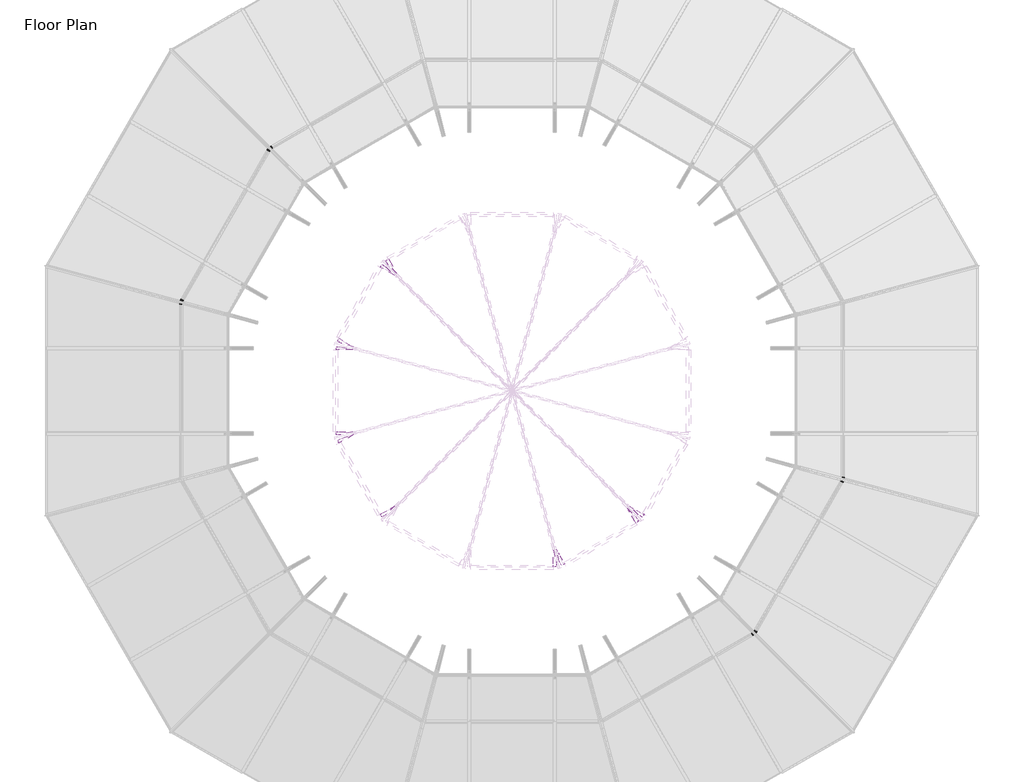
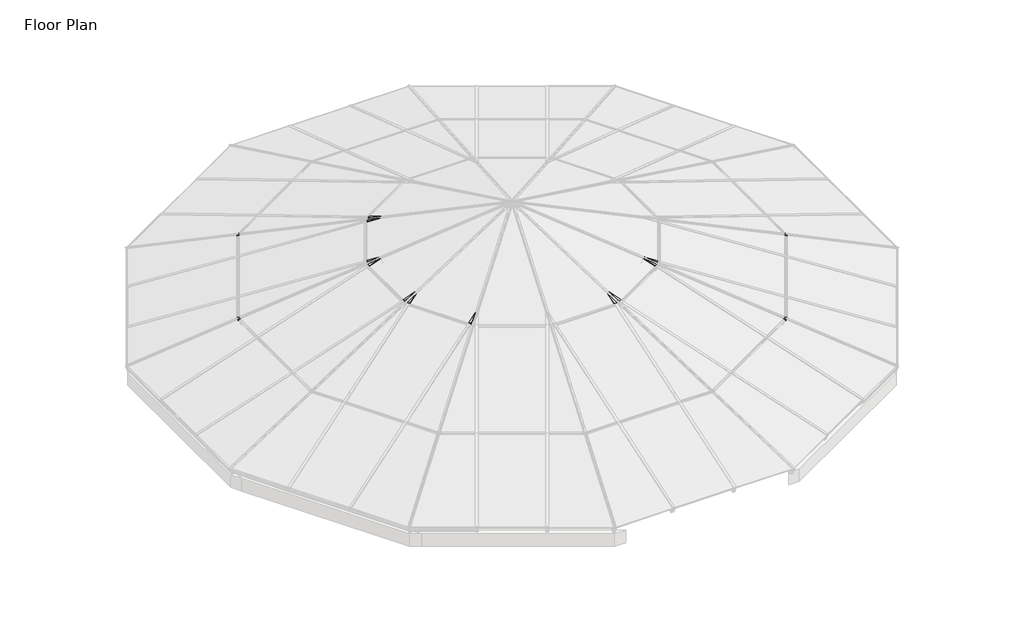
# One storey, part 6 of 7: 19 proxies.
"""IFC4 building model written with IfcOpenShell, lengths in millimetres."""

from ifc_helpers import new_model, si_unit, origin, place, context, project, spatial, faceted_brep, element, save

model = new_model("IFC4")

# Units and contexts
model_context = context("Model", 3, world=origin())
ifc_project = project(units=[si_unit("LENGTHUNIT", "METRE", prefix="MILLI")], contexts=[model_context])

# Site, building, storey
site = spatial("IfcSite", under=ifc_project)
building = spatial("IfcBuilding", under=site)
storey = spatial("IfcBuildingStorey", under=building, Name="Floor Plan", Elevation=0.0)

# Proxies
placement = place(None, origin())
element("IfcBuildingElementProxy", 1, Name="Purlin18 : Purlin", ObjectType="Purlin18 : Purlin", at=placement, inside=storey, context=model_context, shape_type="Brep", body=[
    faceted_brep([(18967.4339293, -393.3486707, 912.0046085), (18989.7737225, -393.3486707, 894.2792535), (18987.8268452, -393.3486707, 888.4811234), (18971.2495186, -393.3486707, 894.0053081), (18964.1492768, -393.3486707, 872.6984486), (18980.7161358, -393.3486707, 867.1777521), (18956.5214327, -393.3486707, 794.5727396), (18896.2783091, -393.3486707, 814.6479994), (18920.4730122, -393.3486707, 887.253012), (18936.3049051, -393.3486707, 881.9772337), (18943.4051468, -393.3486707, 903.2840932), (18927.5969737, -393.3486707, 908.5519672), (18929.5305989, -393.3486707, 914.3545133), (18958.0375119, -393.3486707, 915.1358458), (18967.4339293, -420.822469, 912.0046085), (18989.7737225, -426.8090085, 894.2792535), (18987.8268452, -426.2877268, 888.4811234), (18971.2495186, -421.8458455, 894.0053081), (18964.1492768, -419.9447459, 872.6984486), (18980.7161358, -424.3838224, 867.1777521), (18956.5214327, -417.9056569, 794.5727396), (18896.2783091, -401.7635606, 814.6479994), (18920.4730122, -408.241726, 887.253012), (18936.3049051, -412.4838689, 881.9772337), (18943.4051468, -414.3849686, 903.2840932), (18927.5969737, -410.1491813, 908.5519672), (18929.5305989, -410.6669122, 914.3545133), (18958.0375119, -418.3047066, 915.1358458)], [[[0, 1, 2, 3, 4, 5, 6, 7, 8, 9, 10, 11, 12, 13]], [[1, 0, 14, 15]], [[2, 1, 15, 16]], [[3, 2, 16, 17]], [[4, 3, 17, 18]], [[5, 4, 18, 19]], [[6, 5, 19, 20]], [[7, 6, 20, 21]], [[8, 7, 21, 22]], [[9, 8, 22, 23]], [[10, 9, 23, 24]], [[11, 10, 24, 25]], [[12, 11, 25, 26]], [[13, 12, 26, 27]], [[0, 13, 27, 14]], [[15, 14, 27, 26, 25, 24, 23, 22, 21, 20, 19, 18, 17, 16]]]),
])
element("IfcBuildingElementProxy", 2, Name="Purlin19 : Purlin", ObjectType="Purlin19 : Purlin", at=placement, inside=storey, context=model_context, shape_type="Brep", body=[
    faceted_brep([(18937.2532893, -505.9843526, 912.0046085), (18929.1157531, -501.2861439, 915.1358458), (18904.4280423, -487.0326874, 914.3545133), (18902.7534738, -486.0658748, 908.5519672), (18916.4437533, -493.9699614, 903.2840932), (18910.2947635, -490.4198405, 881.9772337), (18896.5839421, -482.5038941, 887.253012), (18875.6307146, -470.4065425, 814.6479994), (18927.80279, -500.5281043, 794.5727396), (18948.7560176, -512.6254559, 867.1777521), (18934.4086968, -504.3420264, 872.6984486), (18940.5576865, -507.8921472, 894.0053081), (18954.9140726, -516.1808106, 888.4811234), (18956.6001177, -517.1542492, 894.2792535), (18973.3302866, -488.1767467, 894.2792535), (18950.9901885, -482.1913453, 912.0046085), (18971.3836006, -487.6547513, 888.4811234), (18954.8062739, -483.21287, 894.0053081), (18947.7067344, -481.3091496, 872.6984486), (18964.2735934, -485.7482261, 867.1777521), (18940.0812831, -479.2611304, 794.5727396), (18879.8381595, -463.1190341, 814.6479994), (18904.0304698, -469.6061298, 887.253012), (18919.8623627, -473.8482727, 881.9772337), (18926.9619022, -475.751993, 903.2840932), (18911.1537291, -471.5162058, 908.5519672), (18913.087163, -472.0346504, 914.3545133), (18941.5937711, -479.6735829, 915.1358458)], [[[0, 1, 2, 3, 4, 5, 6, 7, 8, 9, 10, 11, 12, 13]], [[0, 13, 14, 15]], [[13, 12, 16, 14]], [[12, 11, 17, 16]], [[11, 10, 18, 17]], [[10, 9, 19, 18]], [[9, 8, 20, 19]], [[8, 7, 21, 20]], [[7, 6, 22, 21]], [[6, 5, 23, 22]], [[5, 4, 24, 23]], [[4, 3, 25, 24]], [[3, 2, 26, 25]], [[2, 1, 27, 26]], [[1, 0, 15, 27]], [[15, 14, 16, 17, 18, 19, 20, 21, 22, 23, 24, 25, 26, 27]]]),
])
element("IfcBuildingElementProxy", 3, Name="Purlin20 : Purlin", ObjectType="Purlin20 : Purlin", at=placement, inside=storey, context=model_context, shape_type="Brep", body=[
    faceted_brep([(17207.4926226, -3502.0177123, 912.0046085), (17226.839451, -3513.1876089, 894.2792535), (17225.1534058, -3512.2141703, 888.4811234), (17210.7970198, -3503.9255069, 894.0053081), (17204.6480301, -3500.3753861, 872.6984486), (17218.9953508, -3508.6588156, 867.1777521), (17198.0421233, -3496.561464, 794.5727396), (17145.8700478, -3466.4399022, 814.6479994), (17166.8232754, -3478.5372538, 887.253012), (17180.5340968, -3486.4532002, 881.9772337), (17186.6830865, -3490.0033211, 903.2840932), (17172.992807, -3482.0992345, 908.5519672), (17174.6673756, -3483.0660471, 914.3545133), (17199.3550864, -3497.3195036, 915.1358458), (17193.7557234, -3525.8107196, 912.0046085), (17210.1092821, -3542.1651115, 894.2792535), (17208.6838778, -3540.7402296, 888.4811234), (17196.5484324, -3528.6047842, 894.0053081), (17191.3499925, -3523.4082628, 872.6984486), (17203.477775, -3535.5360453, 867.1777521), (17185.7636302, -3517.8284379, 794.5727396), (17141.6626029, -3473.7274106, 814.6479994), (17159.3767477, -3491.435018, 887.253012), (17170.9664977, -3503.024768, 881.9772337), (17176.1649376, -3508.2212894, 903.2840932), (17164.5925517, -3496.6489035, 908.5519672), (17166.0082548, -3498.0640842, 914.3545133), (17186.8770685, -3518.9320647, 915.1358458)], [[[0, 1, 2, 3, 4, 5, 6, 7, 8, 9, 10, 11, 12, 13]], [[1, 0, 14, 15]], [[2, 1, 15, 16]], [[3, 2, 16, 17]], [[4, 3, 17, 18]], [[5, 4, 18, 19]], [[6, 5, 19, 20]], [[7, 6, 20, 21]], [[8, 7, 21, 22]], [[9, 8, 22, 23]], [[10, 9, 23, 24]], [[11, 10, 24, 25]], [[12, 11, 25, 26]], [[13, 12, 26, 27]], [[0, 13, 27, 14]], [[15, 14, 27, 26, 25, 24, 23, 22, 21, 20, 19, 18, 17, 16]]]),
])
element("IfcBuildingElementProxy", 4, Name="Purlin21 : Purlin", ObjectType="Purlin21 : Purlin", at=placement, inside=storey, context=model_context, shape_type="Brep", body=[
    faceted_brep([(17125.0559833, -3584.4543516, 912.0046085), (17120.3577746, -3576.3168155, 915.1358458), (17106.1043181, -3551.6291046, 914.3545133), (17105.1375055, -3549.9545361, 908.5519672), (17113.041592, -3563.6448156, 903.2840932), (17109.4914712, -3557.4958258, 881.9772337), (17101.5755247, -3543.7850044, 887.253012), (17089.4781732, -3522.8317769, 814.6479994), (17119.599735, -3575.0038523, 794.5727396), (17131.6970865, -3595.9570799, 867.1777521), (17123.413657, -3581.6097591, 872.6984486), (17126.9637779, -3587.7587488, 894.0053081), (17135.2524413, -3602.1151349, 888.4811234), (17136.2258799, -3603.80118, 894.2792535), (17165.2033824, -3587.0710112, 894.2792535), (17148.8489906, -3570.7174525, 912.0046085), (17163.7785006, -3585.6456068, 888.4811234), (17151.6430552, -3573.5101615, 894.0053081), (17146.4465338, -3568.3117215, 872.6984486), (17158.5743163, -3580.439504, 867.1777521), (17140.8667089, -3562.7253592, 794.5727396), (17096.7656816, -3518.6243319, 814.6479994), (17114.473289, -3536.3384768, 887.253012), (17126.063039, -3547.9282267, 881.9772337), (17131.2595604, -3553.1266666, 903.2840932), (17119.6871745, -3541.5542807, 908.5519672), (17121.1023551, -3542.9699839, 914.3545133), (17141.9703356, -3563.8387975, 915.1358458)], [[[0, 1, 2, 3, 4, 5, 6, 7, 8, 9, 10, 11, 12, 13]], [[0, 13, 14, 15]], [[13, 12, 16, 14]], [[12, 11, 17, 16]], [[11, 10, 18, 17]], [[10, 9, 19, 18]], [[9, 8, 20, 19]], [[8, 7, 21, 20]], [[7, 6, 22, 21]], [[6, 5, 23, 22]], [[5, 4, 24, 23]], [[4, 3, 25, 24]], [[3, 2, 26, 25]], [[2, 1, 27, 26]], [[1, 0, 15, 27]], [[15, 14, 16, 17, 18, 19, 20, 21, 22, 23, 24, 25, 26, 27]]]),
])
element("IfcBuildingElementProxy", 5, Name="Purlin6 : Purlin", ObjectType="Purlin6 : Purlin", at=placement, inside=storey, context=model_context, shape_type="Brep", body=[
    faceted_brep([(5605.8703106, 3066.123009, 912.0046085), (5583.5305174, 3066.123009, 894.2792535), (5585.4773947, 3066.123009, 888.4811234), (5602.0547214, 3066.123009, 894.0053081), (5609.1549631, 3066.123009, 872.6984486), (5592.5881041, 3066.123009, 867.1777521), (5616.7828073, 3066.123009, 794.5727396), (5677.0259309, 3066.123009, 814.6479994), (5652.8312277, 3066.123009, 887.253012), (5636.9993349, 3066.123009, 881.9772337), (5629.8990931, 3066.123009, 903.2840932), (5645.7072662, 3066.123009, 908.5519672), (5643.773641, 3066.123009, 914.3545133), (5615.266728, 3066.123009, 915.1358458), (5605.8703106, 3093.5968073, 912.0046085), (5583.5305174, 3099.5833468, 894.2792535), (5585.4773947, 3099.062065, 888.4811234), (5602.0547214, 3094.6201837, 894.0053081), (5609.1549631, 3092.7190841, 872.6984486), (5592.5881041, 3097.1581606, 867.1777521), (5616.7828073, 3090.6799952, 794.5727396), (5677.0259309, 3074.5378989, 814.6479994), (5652.8312277, 3081.0160643, 887.253012), (5636.9993349, 3085.2582072, 881.9772337), (5629.8990931, 3087.1593068, 903.2840932), (5645.7072662, 3082.9235196, 908.5519672), (5643.773641, 3083.4412504, 914.3545133), (5615.266728, 3091.0790448, 915.1358458)], [[[0, 1, 2, 3, 4, 5, 6, 7, 8, 9, 10, 11, 12, 13]], [[1, 0, 14, 15]], [[2, 1, 15, 16]], [[3, 2, 16, 17]], [[4, 3, 17, 18]], [[5, 4, 18, 19]], [[6, 5, 19, 20]], [[7, 6, 20, 21]], [[8, 7, 21, 22]], [[9, 8, 22, 23]], [[10, 9, 23, 24]], [[11, 10, 24, 25]], [[12, 11, 25, 26]], [[13, 12, 26, 27]], [[0, 13, 27, 14]], [[15, 14, 27, 26, 25, 24, 23, 22, 21, 20, 19, 18, 17, 16]]]),
])
element("IfcBuildingElementProxy", 6, Name="Purlin7 : Purlin", ObjectType="Purlin7 : Purlin", at=placement, inside=storey, context=model_context, shape_type="Brep", body=[
    faceted_brep([(5636.0571856, 3178.78196, 912.0046085), (5644.1947217, 3174.0837513, 915.1358458), (5668.8824326, 3159.8302948, 914.3545133), (5670.5570011, 3158.8634822, 908.5519672), (5656.8667216, 3166.7675688, 903.2840932), (5663.0157114, 3163.2174479, 881.9772337), (5676.7265328, 3155.3015015, 887.253012), (5697.6797603, 3143.2041499, 814.6479994), (5645.5076849, 3173.3257117, 794.5727396), (5624.5544573, 3185.4230633, 867.1777521), (5638.9017781, 3177.1396338, 872.6984486), (5632.7527884, 3180.6897546, 894.0053081), (5618.3964023, 3188.978418, 888.4811234), (5616.7103572, 3189.9518566, 894.2792535), (5599.9801883, 3160.9743541, 894.2792535), (5622.3202864, 3154.9889527, 912.0046085), (5601.9268743, 3160.4523586, 888.4811234), (5618.504201, 3156.0104773, 894.0053081), (5625.6037405, 3154.106757, 872.6984486), (5609.0368815, 3158.5458335, 867.1777521), (5633.2291918, 3152.0587378, 794.5727396), (5693.4723154, 3135.9166415, 814.6479994), (5669.2800051, 3142.4037372, 887.253012), (5653.4481122, 3146.6458801, 881.9772337), (5646.3485727, 3148.5496004, 903.2840932), (5662.1567458, 3144.3138132, 908.5519672), (5660.2233119, 3144.8322577, 914.3545133), (5631.7167038, 3152.4711903, 915.1358458)], [[[0, 1, 2, 3, 4, 5, 6, 7, 8, 9, 10, 11, 12, 13]], [[0, 13, 14, 15]], [[13, 12, 16, 14]], [[12, 11, 17, 16]], [[11, 10, 18, 17]], [[10, 9, 19, 18]], [[9, 8, 20, 19]], [[8, 7, 21, 20]], [[7, 6, 22, 21]], [[6, 5, 23, 22]], [[5, 4, 24, 23]], [[4, 3, 25, 24]], [[3, 2, 26, 25]], [[2, 1, 27, 26]], [[1, 0, 15, 27]], [[15, 14, 16, 17, 18, 19, 20, 21, 22, 23, 24, 25, 26, 27]]]),
])
element("IfcBuildingElementProxy", 7, Name="Purlin8 : Purlin", ObjectType="Purlin8 : Purlin", at=placement, inside=storey, context=model_context, shape_type="Brep", body=[
    faceted_brep([(7365.793337, 6174.7728579, 912.0046085), (7346.4465085, 6185.9427545, 894.2792535), (7348.1325537, 6184.9693159, 888.4811234), (7362.4889398, 6176.6806525, 894.0053081), (7368.6379295, 6173.1305317, 872.6984486), (7354.2906087, 6181.4139612, 867.1777521), (7375.2438363, 6169.3166096, 794.5727396), (7427.4159117, 6139.1950478, 814.6479994), (7406.4626842, 6151.2923994, 887.253012), (7392.7518627, 6159.2083458, 881.9772337), (7386.602873, 6162.7584667, 903.2840932), (7400.2931525, 6154.8543801, 908.5519672), (7398.618584, 6155.8211927, 914.3545133), (7373.9308731, 6170.0746492, 915.1358458), (7379.5302361, 6198.5658652, 912.0046085), (7363.1766774, 6214.9202571, 894.2792535), (7364.6020818, 6213.4953752, 888.4811234), (7376.7375271, 6201.3599298, 894.0053081), (7381.9359671, 6196.1634084, 872.6984486), (7369.8081845, 6208.2911909, 867.1777521), (7387.5223294, 6190.5835835, 794.5727396), (7431.6233567, 6146.4825562, 814.6479994), (7413.9092118, 6164.1901636, 887.253012), (7402.3194619, 6175.7799136, 881.9772337), (7397.121022, 6180.976435, 903.2840932), (7408.6934078, 6169.4040491, 908.5519672), (7407.2777047, 6170.8192298, 914.3545133), (7386.4088911, 6191.6872103, 915.1358458)], [[[0, 1, 2, 3, 4, 5, 6, 7, 8, 9, 10, 11, 12, 13]], [[1, 0, 14, 15]], [[2, 1, 15, 16]], [[3, 2, 16, 17]], [[4, 3, 17, 18]], [[5, 4, 18, 19]], [[6, 5, 19, 20]], [[7, 6, 20, 21]], [[8, 7, 21, 22]], [[9, 8, 22, 23]], [[10, 9, 23, 24]], [[11, 10, 24, 25]], [[12, 11, 25, 26]], [[13, 12, 26, 27]], [[0, 13, 27, 14]], [[15, 14, 27, 26, 25, 24, 23, 22, 21, 20, 19, 18, 17, 16]]]),
])
element("IfcBuildingElementProxy", 8, Name="Purlin9 : Purlin", ObjectType="Purlin9 : Purlin", at=placement, inside=storey, context=model_context, shape_type="Brep", body=[
    faceted_brep([(7448.2658692, 6257.2453901, 912.0046085), (7452.9640779, 6249.107854, 915.1358458), (7467.2175344, 6224.4201431, 914.3545133), (7468.184347, 6222.7455746, 908.5519672), (7460.2802604, 6236.4358541, 903.2840932), (7463.8303813, 6230.2868644, 881.9772337), (7471.7463278, 6216.5760429, 887.253012), (7483.8436793, 6195.6228154, 814.6479994), (7453.7221175, 6247.7948908, 794.5727396), (7441.624766, 6268.7481184, 867.1777521), (7449.9081954, 6254.4007976, 872.6984486), (7446.3580746, 6260.5497874, 894.0053081), (7438.0694112, 6274.9061734, 888.4811234), (7437.0959726, 6276.5922186, 894.2792535), (7408.1184701, 6259.8620497, 894.2792535), (7424.4728619, 6243.508491, 912.0046085), (7409.5433519, 6258.4366454, 888.4811234), (7421.6787973, 6246.3012, 894.0053081), (7426.8753187, 6241.1027601, 872.6984486), (7414.7475362, 6253.2305426, 867.1777521), (7432.4551436, 6235.5163977, 794.5727396), (7476.5561709, 6191.4153704, 814.6479994), (7458.8485635, 6209.1295153, 887.253012), (7447.2588135, 6220.7192652, 881.9772337), (7442.0622921, 6225.9177052, 903.2840932), (7453.634678, 6214.3453193, 908.5519672), (7452.2194973, 6215.7610224, 914.3545133), (7431.3515169, 6236.629836, 915.1358458)], [[[0, 1, 2, 3, 4, 5, 6, 7, 8, 9, 10, 11, 12, 13]], [[0, 13, 14, 15]], [[13, 12, 16, 14]], [[12, 11, 17, 16]], [[11, 10, 18, 17]], [[10, 9, 19, 18]], [[9, 8, 20, 19]], [[8, 7, 21, 20]], [[7, 6, 22, 21]], [[6, 5, 23, 22]], [[5, 4, 24, 23]], [[4, 3, 25, 24]], [[3, 2, 26, 25]], [[2, 1, 27, 26]], [[1, 0, 15, 27]], [[15, 14, 16, 17, 18, 19, 20, 21, 22, 23, 24, 25, 26, 27]]]),
])
element("IfcBuildingElementProxy", 9, Name="Rafter20 : Rafter", ObjectType="Rafter20 : Rafter", at=placement, inside=storey, context=model_context, shape_type="Brep", body=[
    faceted_brep([(14656.0554635, -988.0759206, 2050.4944179), (14656.058672, -988.077773, 2067.2264209), (14948.0375801, -1156.6518742, 1954.876042), (14943.6911588, -1154.1424668, 1939.8152611), (14708.1010313, -1040.1214885, 2026.8027181), (14934.1661588, -1170.6402507, 1939.8152611), (14708.0964881, -1040.1188654, 2003.1102019), (14928.0116263, -1167.0869297, 1918.4891954), (14677.7018764, -1009.7242538, 2016.9461546), (14933.5742263, -1157.4522239, 1918.4891954), (14677.7004287, -1009.723418, 2009.3966748), (14931.6131211, -1156.3199792, 1911.693771), (14699.4207791, -1031.4437683, 1999.5093388), (14927.6380211, -1163.2050544, 1911.693771), (14699.4191825, -1031.4428465, 1991.1834941), (14925.4752419, -1161.9563732, 1904.1995264), (14656.0478759, -988.0715399, 2010.9265773), (14933.4127419, -1148.2082199, 1904.1995264), (14656.0201183, -988.0555141, 1866.1746732), (14895.8109823, -1126.498834, 1773.9056987), (14829.5053446, -1161.5407404, 1787.2023406), (14864.0609823, -1181.4914471, 1773.9056987), (14829.5331022, -1161.5567662, 1931.9542447), (14901.6627419, -1203.2008331, 1904.1995264), (14786.1617956, -1118.1854597, 1951.6973279), (14909.6002419, -1189.4526798, 1904.1995264), (14786.1633922, -1118.1863814, 1960.0231725), (14911.7630211, -1190.701361, 1911.693771), (14807.8837425, -1139.9067318, 1950.1358365), (14907.7879211, -1197.5864361, 1911.693771), (14807.8851902, -1139.9075676, 1957.6853162), (14909.7490263, -1198.7186808, 1918.4891954), (14777.4905786, -1109.5129559, 1971.5212689), (14915.3116263, -1189.083975, 1918.4891954), (14777.4951219, -1109.515579, 1995.2137851), (14921.4661588, -1192.637296, 1939.8152611), (14829.5406897, -1161.5611469, 1971.5220853), (14911.9411588, -1209.1350799, 1939.8152611), (14829.5438983, -1161.5629993, 1988.2540883), (14916.2875801, -1211.6444874, 1954.876042)], [[[0, 1, 2, 3]], [[4, 0, 3, 5]], [[6, 4, 5, 7]], [[8, 6, 7, 9]], [[10, 8, 9, 11]], [[12, 10, 11, 13]], [[14, 12, 13, 15]], [[16, 14, 15, 17]], [[18, 16, 17, 19]], [[20, 18, 19, 21]], [[22, 20, 21, 23]], [[24, 22, 23, 25]], [[26, 24, 25, 27]], [[28, 26, 27, 29]], [[30, 28, 29, 31]], [[32, 30, 31, 33]], [[34, 32, 33, 35]], [[36, 34, 35, 37]], [[38, 36, 37, 39]], [[1, 38, 39, 2]], [[1, 0, 4, 6, 8, 10, 12, 14, 16, 18, 20, 22, 24, 26, 28, 30, 32, 34, 36, 38]], [[3, 2, 39, 37, 35, 33, 31, 29, 27, 25, 23, 21, 19, 17, 15, 13, 11, 9, 7, 5]]]),
])
element("IfcBuildingElementProxy", 10, Name="Rafter21 : Rafter", ObjectType="Rafter21 : Rafter", at=placement, inside=storey, context=model_context, shape_type="Brep", body=[
    faceted_brep([(14611.116044, -1033.020401, 2067.2264209), (14611.1141916, -1033.0171925, 2050.4944179), (14777.4312777, -1321.0868359, 1939.6482825), (14779.9406852, -1325.4332571, 1954.7090634), (14663.1597595, -1085.0627604, 2026.8027181), (14793.9290617, -1311.5618359, 1939.6482825), (14663.1571364, -1085.0582171, 2003.1102019), (14790.3757407, -1305.4073034, 1918.3222168), (14632.7625248, -1054.6636054, 2016.9461546), (14780.7410349, -1310.9699034, 1918.3222168), (14632.7616889, -1054.6621578, 2009.3966748), (14779.6087902, -1309.0087981, 1911.5267924), (14654.4820393, -1076.3825081, 1999.5093388), (14786.4938654, -1305.0336981, 1911.5267924), (14654.4811175, -1076.3809115, 1991.1834941), (14785.2451842, -1302.8709189, 1904.0325479), (14611.1098109, -1033.009605, 2010.9265773), (14771.4970309, -1310.8084189, 1904.0325479), (14611.093785, -1032.9818473, 1866.1746732), (14749.7876449, -1273.2066594, 1773.7387201), (14784.5790113, -1206.4670736, 1787.2023406), (14804.7802581, -1241.4566594, 1773.7387201), (14784.5950372, -1206.4948312, 1931.9542447), (14826.4896441, -1279.0584189, 1904.0325479), (14741.2237306, -1163.1235247, 1951.6973279), (14812.7414908, -1286.9959189, 1904.0325479), (14741.2246524, -1163.1251212, 1960.0231725), (14813.9901719, -1289.1586981, 1911.5267924), (14762.9450027, -1184.8454716, 1950.1358365), (14820.8752471, -1285.1835981, 1911.5267924), (14762.9458386, -1184.8469192, 1957.6853162), (14822.0074918, -1287.1447034, 1918.3222168), (14732.5512269, -1154.4523076, 1971.5212689), (14812.3727859, -1292.7073034, 1918.3222168), (14732.55385, -1154.4568509, 1995.2137851), (14815.9261069, -1298.8618359, 1939.6482825), (14784.5994179, -1206.5024188, 1971.5220853), (14832.4238909, -1289.3368359, 1939.6482825), (14784.6012703, -1206.5056273, 1988.2540883), (14834.9332983, -1293.6832571, 1954.7090634)], [[[0, 1, 2, 3]], [[1, 4, 5, 2]], [[4, 6, 7, 5]], [[6, 8, 9, 7]], [[8, 10, 11, 9]], [[10, 12, 13, 11]], [[12, 14, 15, 13]], [[14, 16, 17, 15]], [[16, 18, 19, 17]], [[18, 20, 21, 19]], [[20, 22, 23, 21]], [[22, 24, 25, 23]], [[24, 26, 27, 25]], [[26, 28, 29, 27]], [[28, 30, 31, 29]], [[30, 32, 33, 31]], [[32, 34, 35, 33]], [[34, 36, 37, 35]], [[36, 38, 39, 37]], [[38, 0, 3, 39]], [[1, 0, 38, 36, 34, 32, 30, 28, 26, 24, 22, 20, 18, 16, 14, 12, 10, 8, 6, 4]], [[3, 2, 5, 7, 9, 11, 13, 15, 17, 19, 21, 23, 25, 27, 29, 31, 33, 35, 37, 39]]]),
])
element("IfcBuildingElementProxy", 11, Name="Rafter22 : Rafter", ObjectType="Rafter22 : Rafter", at=placement, inside=storey, context=model_context, shape_type="Brep", body=[
    faceted_brep([(13176.3846631, -1861.358672, 2050.4944179), (13176.3865156, -1861.3618805, 2067.2264209), (13345.2111567, -2153.7747366, 1954.7090634), (13342.7017493, -2149.4283153, 1939.6482825), (13195.4346631, -1932.4542398, 2026.8027181), (13326.2039653, -2158.9533153, 1939.6482825), (13195.43204, -1932.4496966, 2003.1102019), (13322.6506443, -2152.7987828, 1918.3222168), (13184.30684, -1890.9298849, 2016.9461546), (13332.2853501, -2147.2361828, 1918.3222168), (13184.3060042, -1890.9284372, 2009.3966748), (13331.1531055, -2145.2750776, 1911.5267924), (13192.2562042, -1920.5989876, 1999.5093388), (13324.2680303, -2149.2501776, 1911.5267924), (13192.2552824, -1920.597391, 1991.1834941), (13323.0193492, -2147.0873984, 1904.0325479), (13176.3802824, -1861.3510844, 2010.9265773), (13336.7675025, -2139.1498984, 1904.0325479), (13176.3642566, -1861.3233268, 1866.1746732), (13315.0581165, -2101.5481389, 1773.7387201), (13239.8642566, -2098.3085531, 1787.2023406), (13260.0655033, -2133.2981389, 1773.7387201), (13239.8802824, -2098.3363107, 1931.9542447), (13281.7748893, -2170.8998984, 1904.0325479), (13224.0052824, -2039.0900041, 1951.6973279), (13295.5230426, -2162.9623984, 1904.0325479), (13224.0062042, -2039.0916007, 1960.0231725), (13296.7717238, -2165.1251776, 1911.5267924), (13231.9564042, -2068.762151, 1950.1358365), (13289.8866486, -2169.1002776, 1911.5267924), (13231.95724, -2068.7635987, 1957.6853162), (13291.0188932, -2171.0613828, 1918.3222168), (13220.83204, -2027.2437871, 1971.5212689), (13300.6535991, -2165.4987828, 1918.3222168), (13220.8346631, -2027.2483304, 1995.2137851), (13304.2069201, -2171.6533153, 1939.6482825), (13239.8846631, -2098.3438982, 1971.5220853), (13287.7091361, -2181.1783153, 1939.6482825), (13239.8865156, -2098.3471068, 1988.2540883), (13290.2185436, -2185.5247366, 1954.7090634)], [[[0, 1, 2, 3]], [[4, 0, 3, 5]], [[6, 4, 5, 7]], [[8, 6, 7, 9]], [[10, 8, 9, 11]], [[12, 10, 11, 13]], [[14, 12, 13, 15]], [[16, 14, 15, 17]], [[18, 16, 17, 19]], [[20, 18, 19, 21]], [[22, 20, 21, 23]], [[24, 22, 23, 25]], [[26, 24, 25, 27]], [[28, 26, 27, 29]], [[30, 28, 29, 31]], [[32, 30, 31, 33]], [[34, 32, 33, 35]], [[36, 34, 35, 37]], [[38, 36, 37, 39]], [[1, 38, 39, 2]], [[1, 0, 4, 6, 8, 10, 12, 14, 16, 18, 20, 22, 24, 26, 28, 30, 32, 34, 36, 38]], [[3, 2, 39, 37, 35, 33, 31, 29, 27, 25, 23, 21, 19, 17, 15, 13, 11, 9, 7, 5]]]),
])
element("IfcBuildingElementProxy", 12, Name="Rafter23 : Rafter", ObjectType="Rafter23 : Rafter", at=placement, inside=storey, context=model_context, shape_type="Brep", body=[
    faceted_brep([(13114.993744, -2215.6581445, 1954.6434696), (13114.993744, -2210.6393295, 1939.5826887), (13134.043744, -2210.6393295, 1939.5826887), (13134.043744, -2203.5326876, 1918.256623), (13122.918544, -2203.5326876, 1918.256623), (13122.918544, -2201.2681983, 1911.4611986), (13130.868744, -2201.2681983, 1911.4611986), (13130.868744, -2198.7708359, 1903.966954), (13114.993744, -2198.7708359, 1903.966954), (13114.993744, -2155.352064, 1773.6731263), (13178.493744, -2155.352064, 1773.6731263), (13178.493744, -2198.7708359, 1903.966954), (13162.618744, -2198.7708359, 1903.966954), (13162.618744, -2201.2681983, 1911.4611986), (13170.568944, -2201.2681983, 1911.4611986), (13170.568944, -2203.5326876, 1918.256623), (13159.443744, -2203.5326876, 1918.256623), (13159.443744, -2210.6393295, 1939.5826887), (13178.493744, -2210.6393295, 1939.5826887), (13178.493744, -2215.6581445, 1954.6434696), (13114.993744, -1877.812024, 2067.2264209), (13114.993744, -1877.8083191, 2050.4944179), (13134.043744, -1948.903887, 2026.8027181), (13134.043744, -1948.8986409, 2003.1102019), (13122.918544, -1907.3788293, 2016.9461546), (13122.918544, -1907.3771576, 2009.3966748), (13130.868744, -1937.0477079, 1999.5093388), (13130.868744, -1937.0458644, 1991.1834941), (13114.993744, -1877.7995578, 2010.9265773), (13114.993744, -1877.7675061, 1866.1746732), (13178.493744, -2114.7527324, 1787.2023406), (13178.493744, -2114.7847841, 1931.9542447), (13162.618744, -2055.5384775, 1951.6973279), (13162.618744, -2055.5403211, 1960.0231725), (13170.568944, -2085.2108714, 1950.1358365), (13170.568944, -2085.2125431, 1957.6853162), (13159.443744, -2043.6927314, 1971.5212689), (13159.443744, -2043.6979775, 1995.2137851), (13178.493744, -2114.7935454, 1971.5220853), (13178.493744, -2114.7972503, 1988.2540883)], [[[0, 1, 2, 3, 4, 5, 6, 7, 8, 9, 10, 11, 12, 13, 14, 15, 16, 17, 18, 19]], [[1, 0, 20, 21]], [[2, 1, 21, 22]], [[3, 2, 22, 23]], [[4, 3, 23, 24]], [[5, 4, 24, 25]], [[6, 5, 25, 26]], [[7, 6, 26, 27]], [[8, 7, 27, 28]], [[9, 8, 28, 29]], [[10, 9, 29, 30]], [[11, 10, 30, 31]], [[12, 11, 31, 32]], [[13, 12, 32, 33]], [[14, 13, 33, 34]], [[15, 14, 34, 35]], [[16, 15, 35, 36]], [[17, 16, 36, 37]], [[18, 17, 37, 38]], [[19, 18, 38, 39]], [[0, 19, 39, 20]], [[21, 20, 39, 38, 37, 36, 35, 34, 33, 32, 31, 30, 29, 28, 27, 26, 25, 24, 23, 22]]]),
])
element("IfcBuildingElementProxy", 13, Name="Rafter3 : Rafter", ObjectType="Rafter3 : Rafter", at=placement, inside=storey, context=model_context, shape_type="Brep", body=[
    faceted_brep([(9917.2456902, -988.0782292, 2067.2264209), (9917.2488987, -988.0763768, 2050.4944179), (9635.2396733, -1150.894479, 1941.9802669), (9630.893252, -1153.4038865, 1957.0410478), (9865.2033308, -1040.1219446, 2026.8027181), (9644.7646733, -1167.3922629, 1941.9802669), (9865.2078741, -1040.1193216, 2003.1102019), (9650.9192058, -1163.8389419, 1920.6542011), (9895.6024858, -1009.7247099, 2016.9461546), (9645.3566058, -1154.2042361, 1920.6542011), (9895.6039334, -1009.7238741, 2009.3966748), (9647.317711, -1153.0719915, 1913.8587768), (9873.8835831, -1031.4442244, 1999.5093388), (9651.292811, -1159.9570666, 1913.8587768), (9873.8851797, -1031.4433027, 1991.1834941), (9653.4555902, -1158.7083855, 1906.3645322), (9917.2564862, -988.0719961, 2010.9265773), (9645.5180902, -1144.9602322, 1906.3645322), (9917.2842439, -988.0559702, 1866.1746732), (9683.1198497, -1123.2508462, 1776.0707045), (9743.7990176, -1161.5411965, 1787.2023406), (9714.8698497, -1178.2434593, 1776.0707045), (9743.77126, -1161.5572224, 1931.9542447), (9677.2680902, -1199.9528453, 1906.3645322), (9787.1425665, -1118.1859158, 1951.6973279), (9669.3305902, -1186.204692, 1906.3645322), (9787.14097, -1118.1868376, 1960.0231725), (9667.167811, -1187.4533732, 1913.8587768), (9765.4206196, -1139.9071879, 1950.1358365), (9671.142911, -1194.3384484, 1913.8587768), (9765.419172, -1139.9080237, 1957.6853162), (9669.1818058, -1195.470693, 1920.6542011), (9795.8137836, -1109.5134121, 1971.5212689), (9663.6192058, -1185.8359872, 1920.6542011), (9795.8092403, -1109.5160351, 1995.2137851), (9657.4646733, -1189.3893082, 1941.9802669), (9743.7636724, -1161.561603, 1971.5220853), (9666.9896733, -1205.8870921, 1941.9802669), (9743.7604639, -1161.5634555, 1988.2540883), (9662.643252, -1208.3964996, 1957.0410478)], [[[0, 1, 2, 3]], [[1, 4, 5, 2]], [[4, 6, 7, 5]], [[6, 8, 9, 7]], [[8, 10, 11, 9]], [[10, 12, 13, 11]], [[12, 14, 15, 13]], [[14, 16, 17, 15]], [[16, 18, 19, 17]], [[18, 20, 21, 19]], [[20, 22, 23, 21]], [[22, 24, 25, 23]], [[24, 26, 27, 25]], [[26, 28, 29, 27]], [[28, 30, 31, 29]], [[30, 32, 33, 31]], [[32, 34, 35, 33]], [[34, 36, 37, 35]], [[36, 38, 39, 37]], [[38, 0, 3, 39]], [[1, 0, 38, 36, 34, 32, 30, 28, 26, 24, 22, 20, 18, 16, 14, 12, 10, 8, 6, 4]], [[3, 2, 5, 7, 9, 11, 13, 15, 17, 19, 21, 23, 25, 27, 29, 31, 33, 35, 37, 39]]]),
])
element("IfcBuildingElementProxy", 14, Name="Rafter4 : Rafter", ObjectType="Rafter4 : Rafter", at=placement, inside=storey, context=model_context, shape_type="Brep", body=[
    faceted_brep([(9088.9064846, 446.6547706, 2050.4944179), (9088.9032761, 446.6529182, 2067.2264209), (8802.5508379, 281.3272609, 1957.0410478), (8806.8972591, 283.8366684, 1941.9802669), (9017.8109167, 427.6047706, 2026.8027181), (8797.3722591, 300.3344523, 1941.9802669), (9017.81546, 427.6073937, 2003.1102019), (8803.5267916, 303.8877733, 1920.6542011), (9059.3352716, 438.7325937, 2016.9461546), (8809.0893916, 294.2530675, 1920.6542011), (9059.3367193, 438.7334295, 2009.3966748), (8811.0504969, 295.3853121, 1913.8587768), (9029.666169, 430.7832295, 1999.5093388), (8807.0753969, 302.2703873, 1913.8587768), (9029.6677655, 430.7841513, 1991.1834941), (8809.2381761, 303.5190685, 1906.3645322), (9088.9140721, 446.6591513, 2010.9265773), (8817.1756761, 289.7709152, 1906.3645322), (9088.9418297, 446.6751771, 1866.1746732), (8854.7774356, 311.4803011, 1776.0707045), (8851.9566035, 383.1751771, 1787.2023406), (8823.0274356, 366.4729143, 1776.0707045), (8851.9288458, 383.1591513, 1931.9542447), (8785.4256761, 344.7635283, 1906.3645322), (8911.1751524, 399.0341513, 1951.6973279), (8793.3631761, 331.015375, 1906.3645322), (8911.1735558, 399.0332295, 1960.0231725), (8791.2003969, 329.7666939, 1913.8587768), (8881.5030055, 391.0830295, 1950.1358365), (8787.2252969, 336.651769, 1913.8587768), (8881.5015578, 391.0821937, 1957.6853162), (8785.2641916, 335.5195244, 1920.6542011), (8923.0213695, 402.2073937, 1971.5212689), (8790.8267916, 325.8848186, 1920.6542011), (8923.0168262, 402.2047706, 1995.2137851), (8784.6722591, 322.3314976, 1941.9802669), (8851.9212583, 383.1547706, 1971.5220853), (8775.1472591, 338.8292815, 1941.9802669), (8851.9180498, 383.1529182, 1988.2540883), (8770.8008379, 336.319874, 1957.0410478)], [[[0, 1, 2, 3]], [[4, 0, 3, 5]], [[6, 4, 5, 7]], [[8, 6, 7, 9]], [[10, 8, 9, 11]], [[12, 10, 11, 13]], [[14, 12, 13, 15]], [[16, 14, 15, 17]], [[18, 16, 17, 19]], [[20, 18, 19, 21]], [[22, 20, 21, 23]], [[24, 22, 23, 25]], [[26, 24, 25, 27]], [[28, 26, 27, 29]], [[30, 28, 29, 31]], [[32, 30, 31, 33]], [[34, 32, 33, 35]], [[36, 34, 35, 37]], [[38, 36, 37, 39]], [[1, 38, 39, 2]], [[1, 0, 4, 6, 8, 10, 12, 14, 16, 18, 20, 22, 24, 26, 28, 30, 32, 34, 36, 38]], [[3, 2, 39, 37, 35, 33, 31, 29, 27, 25, 23, 21, 19, 17, 15, 13, 11, 9, 7, 5]]]),
])
element("IfcBuildingElementProxy", 15, Name="Rafter5 : Rafter", ObjectType="Rafter5 : Rafter", at=placement, inside=storey, context=model_context, shape_type="Brep", body=[
    faceted_brep([(9072.4536334, 508.0438203, 2067.2264209), (9072.4573383, 508.0438203, 2050.4944179), (8746.8210587, 508.0438203, 1941.9802419), (8741.8022437, 508.0438203, 1957.0410228), (9001.3617704, 488.9938203, 2026.8027181), (8746.8210587, 488.9938203, 1941.9802419), (9001.3670165, 488.9938203, 2003.1102019), (8753.9277007, 488.9938203, 1920.6541761), (9042.8868282, 500.1190203, 2016.9461546), (8753.9277007, 500.1190203, 1920.6541761), (9042.8884998, 500.1190203, 2009.3966748), (8756.19219, 500.1190203, 1913.8587518), (9013.2179495, 492.1688203, 1999.5093388), (8756.19219, 492.1688203, 1913.8587518), (9013.219793, 492.1688203, 1991.1834941), (8758.6895523, 492.1688203, 1906.3645072), (9072.4660996, 508.0438203, 2010.9265773), (8758.6895523, 508.0438203, 1906.3645072), (9072.4981513, 508.0438203, 1866.1746732), (8802.1083242, 508.0438203, 1776.0706794), (8835.5129251, 444.5438203, 1787.2023406), (8802.1083242, 444.5438203, 1776.0706794), (8835.4808733, 444.5438203, 1931.9542447), (8758.6895523, 444.5438203, 1906.3645072), (8894.7271799, 460.4188203, 1951.6973279), (8758.6895523, 460.4188203, 1906.3645072), (8894.7253363, 460.4188203, 1960.0231725), (8756.19219, 460.4188203, 1913.8587518), (8865.054786, 452.4686203, 1950.1358365), (8756.19219, 452.4686203, 1913.8587518), (8865.0531144, 452.4686203, 1957.6853162), (8753.9277007, 452.4686203, 1920.6541761), (8906.572926, 463.5938203, 1971.5212689), (8753.9277007, 463.5938203, 1920.6541761), (8906.5676799, 463.5938203, 1995.2137851), (8746.8210587, 463.5938203, 1941.9802419), (8835.472112, 444.5438203, 1971.5220853), (8746.8210587, 444.5438203, 1941.9802419), (8835.4684071, 444.5438203, 1988.2540883), (8741.8022437, 444.5438203, 1957.0410228)], [[[0, 1, 2, 3]], [[1, 4, 5, 2]], [[4, 6, 7, 5]], [[6, 8, 9, 7]], [[8, 10, 11, 9]], [[10, 12, 13, 11]], [[12, 14, 15, 13]], [[14, 16, 17, 15]], [[16, 18, 19, 17]], [[18, 20, 21, 19]], [[20, 22, 23, 21]], [[22, 24, 25, 23]], [[24, 26, 27, 25]], [[26, 28, 29, 27]], [[28, 30, 31, 29]], [[30, 32, 33, 31]], [[32, 34, 35, 33]], [[34, 36, 37, 35]], [[36, 38, 39, 37]], [[38, 0, 3, 39]], [[1, 0, 38, 36, 34, 32, 30, 28, 26, 24, 22, 20, 18, 16, 14, 12, 10, 8, 6, 4]], [[3, 2, 5, 7, 9, 11, 13, 15, 17, 19, 21, 23, 25, 27, 29, 31, 33, 35, 37, 39]]]),
])
element("IfcBuildingElementProxy", 16, Name="Rafter6 : Rafter", ObjectType="Rafter6 : Rafter", at=placement, inside=storey, context=model_context, shape_type="Brep", body=[
    faceted_brep([(9072.4573383, 2164.7292717, 2050.4944179), (9072.4536334, 2164.7292717, 2067.2264209), (8741.8022437, 2164.7292717, 1957.0410228), (8746.8210587, 2164.7292717, 1941.9802419), (9001.3617704, 2183.7792717, 2026.8027181), (8746.8210587, 2183.7792717, 1941.9802419), (9001.3670165, 2183.7792717, 2003.1102019), (8753.9277007, 2183.7792717, 1920.6541761), (9042.8868282, 2172.6540717, 2016.9461546), (8753.9277007, 2172.6540717, 1920.6541761), (9042.8884998, 2172.6540717, 2009.3966748), (8756.19219, 2172.6540717, 1913.8587518), (9013.2179495, 2180.6042717, 1999.5093388), (8756.19219, 2180.6042717, 1913.8587518), (9013.219793, 2180.6042717, 1991.1834941), (8758.6895523, 2180.6042717, 1906.3645072), (9072.4660996, 2164.7292717, 2010.9265773), (8758.6895523, 2164.7292717, 1906.3645072), (9072.4981513, 2164.7292717, 1866.1746732), (8802.1083242, 2164.7292717, 1776.0706794), (8835.5129251, 2228.2292717, 1787.2023406), (8802.1083242, 2228.2292717, 1776.0706794), (8835.4808733, 2228.2292717, 1931.9542447), (8758.6895523, 2228.2292717, 1906.3645072), (8894.7271799, 2212.3542717, 1951.6973279), (8758.6895523, 2212.3542717, 1906.3645072), (8894.7253363, 2212.3542717, 1960.0231725), (8756.19219, 2212.3542717, 1913.8587518), (8865.054786, 2220.3044717, 1950.1358365), (8756.19219, 2220.3044717, 1913.8587518), (8865.0531144, 2220.3044717, 1957.6853162), (8753.9277007, 2220.3044717, 1920.6541761), (8906.572926, 2209.1792717, 1971.5212689), (8753.9277007, 2209.1792717, 1920.6541761), (8906.5676799, 2209.1792717, 1995.2137851), (8746.8210587, 2209.1792717, 1941.9802419), (8835.472112, 2228.2292717, 1971.5220853), (8746.8210587, 2228.2292717, 1941.9802419), (8835.4684071, 2228.2292717, 1988.2540883), (8741.8022437, 2228.2292717, 1957.0410228)], [[[0, 1, 2, 3]], [[4, 0, 3, 5]], [[6, 4, 5, 7]], [[8, 6, 7, 9]], [[10, 8, 9, 11]], [[12, 10, 11, 13]], [[14, 12, 13, 15]], [[16, 14, 15, 17]], [[18, 16, 17, 19]], [[20, 18, 19, 21]], [[22, 20, 21, 23]], [[24, 22, 23, 25]], [[26, 24, 25, 27]], [[28, 26, 27, 29]], [[30, 28, 29, 31]], [[32, 30, 31, 33]], [[34, 32, 33, 35]], [[36, 34, 35, 37]], [[38, 36, 37, 39]], [[1, 38, 39, 2]], [[1, 0, 4, 6, 8, 10, 12, 14, 16, 18, 20, 22, 24, 26, 28, 30, 32, 34, 36, 38]], [[3, 2, 39, 37, 35, 33, 31, 29, 27, 25, 23, 21, 19, 17, 15, 13, 11, 9, 7, 5]]]),
])
element("IfcBuildingElementProxy", 17, Name="Rafter7 : Rafter", ObjectType="Rafter7 : Rafter", at=placement, inside=storey, context=model_context, shape_type="Brep", body=[
    faceted_brep([(9088.9031091, 2226.1195508, 2067.2264209), (9088.9063176, 2226.1176984, 2050.4944179), (8806.896962, 2388.9358757, 1941.9802168), (8802.5505408, 2391.4452832, 1957.0409977), (9017.8107497, 2245.1676984, 2026.8027181), (8797.371962, 2372.4380918, 1941.9802168), (9017.815293, 2245.1650753, 2003.1102019), (8803.5264945, 2368.8847708, 1920.6541511), (9059.3351047, 2234.0398753, 2016.9461546), (8809.0890945, 2378.5194766, 1920.6541511), (9059.3365523, 2234.0390395, 2009.3966748), (8811.0501998, 2377.387232, 1913.8587267), (9029.666002, 2241.9892395, 1999.5093388), (8807.0750998, 2370.5021568, 1913.8587267), (9029.6675986, 2241.9883177, 1991.1834941), (8809.237879, 2369.2534756, 1906.3644821), (9088.9139052, 2226.1133177, 2010.9265773), (8817.175379, 2383.0016289, 1906.3644821), (9088.9416628, 2226.0972918, 1866.1746732), (8854.7771385, 2361.2922429, 1776.0706544), (8851.9564365, 2289.5972918, 1787.2023406), (8823.0271385, 2306.2996298, 1776.0706544), (8851.9286789, 2289.6133177, 1931.9542447), (8785.425379, 2328.0090158, 1906.3644821), (8911.1749854, 2273.7383177, 1951.6973279), (8793.362879, 2341.7571691, 1906.3644821), (8911.1733889, 2273.7392395, 1960.0231725), (8791.2000998, 2343.0058502, 1913.8587267), (8881.5028385, 2281.6894395, 1950.1358365), (8787.2249998, 2336.1207751, 1913.8587267), (8881.5013909, 2281.6902753, 1957.6853162), (8785.2638945, 2337.2530197, 1920.6541511), (8923.0212025, 2270.5650753, 1971.5212689), (8790.8264945, 2346.8877255, 1920.6541511), (8923.0166592, 2270.5676984, 1995.2137851), (8784.671962, 2350.4410465, 1941.9802168), (8851.9210913, 2289.6176984, 1971.5220853), (8775.146962, 2333.9432626, 1941.9802168), (8851.9178828, 2289.6195508, 1988.2540883), (8770.8005408, 2336.4526701, 1957.0409977)], [[[0, 1, 2, 3]], [[1, 4, 5, 2]], [[4, 6, 7, 5]], [[6, 8, 9, 7]], [[8, 10, 11, 9]], [[10, 12, 13, 11]], [[12, 14, 15, 13]], [[14, 16, 17, 15]], [[16, 18, 19, 17]], [[18, 20, 21, 19]], [[20, 22, 23, 21]], [[22, 24, 25, 23]], [[24, 26, 27, 25]], [[26, 28, 29, 27]], [[28, 30, 31, 29]], [[30, 32, 33, 31]], [[32, 34, 35, 33]], [[34, 36, 37, 35]], [[36, 38, 39, 37]], [[38, 0, 3, 39]], [[1, 0, 38, 36, 34, 32, 30, 28, 26, 24, 22, 20, 18, 16, 14, 12, 10, 8, 6, 4]], [[3, 2, 5, 7, 9, 11, 13, 15, 17, 19, 21, 23, 25, 27, 29, 31, 33, 35, 37, 39]]]),
])
element("IfcBuildingElementProxy", 18, Name="Rafter8 : Rafter", ObjectType="Rafter8 : Rafter", at=placement, inside=storey, context=model_context, shape_type="Brep", body=[
    faceted_brep([(9917.2493549, 3660.849925, 2050.4944179), (9917.2461463, 3660.8517774, 2067.2264209), (9630.893578, 3826.1775098, 1957.0409977), (9635.2399993, 3823.6681023, 1941.9802168), (9865.203787, 3712.8954928, 2026.8027181), (9644.7649993, 3840.1658863, 1941.9802168), (9865.2083303, 3712.8928698, 2003.1102019), (9650.9195318, 3836.6125653, 1920.6541511), (9895.6029419, 3682.4982581, 2016.9461546), (9645.3569318, 3826.9778594, 1920.6541511), (9895.6043896, 3682.4974223, 2009.3966748), (9647.318037, 3825.8456148, 1913.8587267), (9873.8840393, 3704.2177726, 1999.5093388), (9651.293137, 3832.73069, 1913.8587267), (9873.8856358, 3704.2168509, 1991.1834941), (9653.4559163, 3831.4820088, 1906.3644821), (9917.2569424, 3660.8455443, 2010.9265773), (9645.5184163, 3817.7338555, 1906.3644821), (9917.2847, 3660.8295184, 1866.1746732), (9683.1201758, 3796.0244695, 1776.0706544), (9743.7994737, 3834.3147447, 1787.2023406), (9714.8701758, 3851.0170827, 1776.0706544), (9743.7717161, 3834.3307706, 1931.9542447), (9677.2684163, 3872.7264687, 1906.3644821), (9787.1430227, 3790.959464, 1951.6973279), (9669.3309163, 3858.9783154, 1906.3644821), (9787.1414261, 3790.9603858, 1960.0231725), (9667.168137, 3860.2269965, 1913.8587267), (9765.4210758, 3812.6807361, 1950.1358365), (9671.143237, 3867.1120717, 1913.8587267), (9765.4196281, 3812.6815719, 1957.6853162), (9669.1821318, 3868.2443163, 1920.6541511), (9795.8142397, 3782.2869603, 1971.5212689), (9663.6195318, 3858.6096105, 1920.6541511), (9795.8096965, 3782.2895834, 1995.2137851), (9657.4649993, 3862.1629315, 1941.9802168), (9743.7641286, 3834.3351512, 1971.5220853), (9666.9899993, 3878.6607155, 1941.9802168), (9743.7609201, 3834.3370037, 1988.2540883), (9662.643578, 3881.1701229, 1957.0409977)], [[[0, 1, 2, 3]], [[4, 0, 3, 5]], [[6, 4, 5, 7]], [[8, 6, 7, 9]], [[10, 8, 9, 11]], [[12, 10, 11, 13]], [[14, 12, 13, 15]], [[16, 14, 15, 17]], [[18, 16, 17, 19]], [[20, 18, 19, 21]], [[22, 20, 21, 23]], [[24, 22, 23, 25]], [[26, 24, 25, 27]], [[28, 26, 27, 29]], [[30, 28, 29, 31]], [[32, 30, 31, 33]], [[34, 32, 33, 35]], [[36, 34, 35, 37]], [[38, 36, 37, 39]], [[1, 38, 39, 2]], [[1, 0, 4, 6, 8, 10, 12, 14, 16, 18, 20, 22, 24, 26, 28, 30, 32, 34, 36, 38]], [[3, 2, 39, 37, 35, 33, 31, 29, 27, 25, 23, 21, 19, 17, 15, 13, 11, 9, 7, 5]]]),
])
element("IfcBuildingElementProxy", 19, Name="Rafter9 : Rafter", ObjectType="Rafter9 : Rafter", at=placement, inside=storey, context=model_context, shape_type="Brep", body=[
    faceted_brep([(9962.1869497, 3705.7925808, 2067.2264209), (9962.1888022, 3705.7893723, 2050.4944179), (9800.2185406, 3986.3300946, 1942.5453313), (9797.7091331, 3990.6765158, 1957.6061122), (9910.1432343, 3757.8349401, 2026.8027181), (9783.7207567, 3976.8050946, 1942.5453313), (9910.1458573, 3757.8303969, 2003.1102019), (9787.2740776, 3970.6505621, 1921.2192655), (9940.540469, 3727.4357852, 2016.9461546), (9796.9087835, 3976.2131621, 1921.2192655), (9940.5413048, 3727.4343375, 2009.3966748), (9798.0410281, 3974.2520568, 1914.4238412), (9918.8209545, 3749.1546879, 1999.5093388), (9791.155953, 3970.2769568, 1914.4238412), (9918.8218763, 3749.1530913, 1991.1834941), (9792.4046341, 3968.1141776, 1906.9295966), (9962.1931828, 3705.7817847, 2010.9265773), (9806.1527874, 3976.0516776, 1906.9295966), (9962.2092087, 3705.7540271, 1866.1746732), (9827.8621734, 3938.4499181, 1776.6357688), (9788.7239824, 3879.2392534, 1787.2023406), (9772.8695602, 3906.6999181, 1776.6357688), (9788.7079565, 3879.267011, 1931.9542447), (9751.1601743, 3944.3016776, 1906.9295966), (9832.0792631, 3835.8957044, 1951.6973279), (9764.9083276, 3952.2391776, 1906.9295966), (9832.0783413, 3835.897301, 1960.0231725), (9763.6596464, 3954.4019568, 1914.4238412), (9810.357991, 3857.6176513, 1950.1358365), (9756.7745712, 3950.4268568, 1914.4238412), (9810.3571552, 3857.619099, 1957.6853162), (9755.6423266, 3952.3879621, 1921.2192655), (9840.7517668, 3827.2244874, 1971.5212689), (9765.2770324, 3957.9505621, 1921.2192655), (9840.7491438, 3827.2290306, 1995.2137851), (9761.7237114, 3964.1050946, 1942.5453313), (9788.7035759, 3879.2745985, 1971.5220853), (9745.2259275, 3954.5800946, 1942.5453313), (9788.7017234, 3879.2778071, 1988.2540883), (9742.71652, 3958.9265158, 1957.6061122)], [[[0, 1, 2, 3]], [[1, 4, 5, 2]], [[4, 6, 7, 5]], [[6, 8, 9, 7]], [[8, 10, 11, 9]], [[10, 12, 13, 11]], [[12, 14, 15, 13]], [[14, 16, 17, 15]], [[16, 18, 19, 17]], [[18, 20, 21, 19]], [[20, 22, 23, 21]], [[22, 24, 25, 23]], [[24, 26, 27, 25]], [[26, 28, 29, 27]], [[28, 30, 31, 29]], [[30, 32, 33, 31]], [[32, 34, 35, 33]], [[34, 36, 37, 35]], [[36, 38, 39, 37]], [[38, 0, 3, 39]], [[1, 0, 38, 36, 34, 32, 30, 28, 26, 24, 22, 20, 18, 16, 14, 12, 10, 8, 6, 4]], [[3, 2, 5, 7, 9, 11, 13, 15, 17, 19, 21, 23, 25, 27, 29, 31, 33, 35, 37, 39]]]),
])

save(model, "model.ifc")
